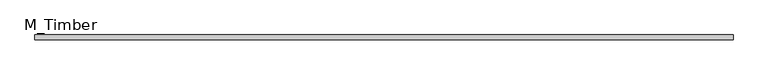
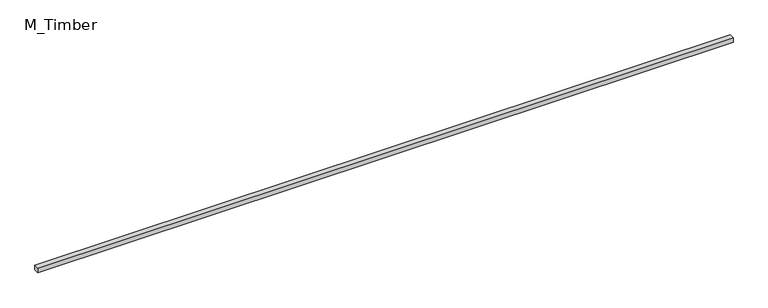
"""IFC4 building model written with IfcOpenShell, lengths in millimetres: beam geometry, M_Timber."""

from ifc_helpers import new_model, si_unit, frame, origin, place, context, project, spatial, polyline, outline, extrude, source, transform, mapped, element, save


def m_timber_2173b974(model_context):
    return source(origin(), model_context, "Body", "SweptSolid", [
        extrude(outline(polyline([(2817.1989844, 20.0), (2817.1989844, -20.0), (-2817.1989844, -20.0), (-2817.1989844, 20.0), (2817.1989844, 20.0)])), frame((0.0, 0.0, -20.0), z_axis=(0.0, 0.0, 1.0), x_axis=(1.0, 0.0, 0.0)), (0.0, 0.0, 1.0), 40.0),
    ])


if __name__ == "__main__":
    model = new_model("IFC4")
    model_context = context("Model", 3, world=origin())
    ifc_project = project(units=[si_unit("LENGTHUNIT", "METRE", prefix="MILLI")], contexts=[model_context])
    site = spatial("IfcSite", under=ifc_project)
    building = spatial("IfcBuilding", under=site)
    placement = place(None, origin())
    m_timber_shape = m_timber_2173b974(model_context)
    element("IfcBeam", 1, ObjectType="M_Timber", at=placement, inside=building, context=model_context, shape_type="MappedRepresentation", body=[
        mapped(m_timber_shape, transform((0.0, 0.0, 0.0), x_axis=(1.0, 0.0, 0.0), y_axis=(0.0, 1.0, 0.0), z_axis=(0.0, 0.0, 1.0))),
    ])
    save(model, "model.ifc")
